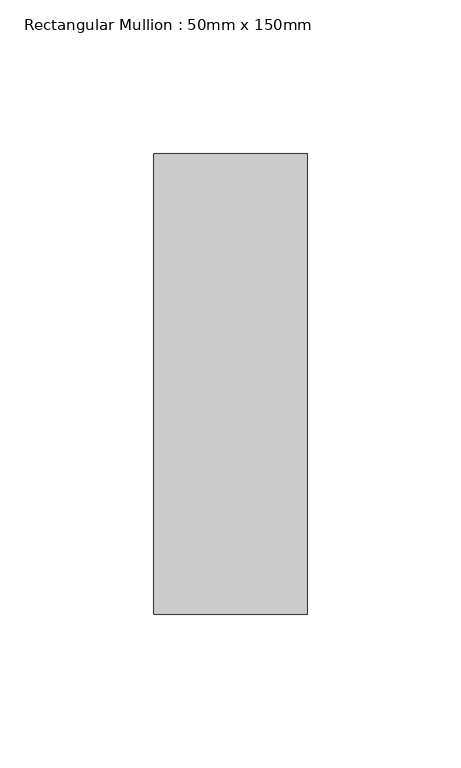
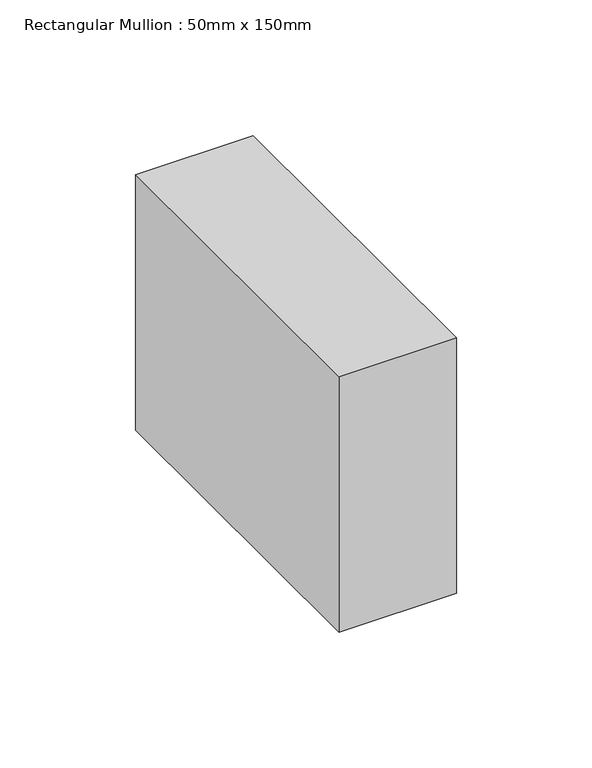
"""IFC4 building model written with IfcOpenShell, lengths in millimetres: member geometry, Rectangular Mullion : 50mm x 150mm."""

from ifc_helpers import new_model, si_unit, frame, origin, place, context, project, spatial, polyline, outline, extrude, source, transform, mapped, element, save


def rectangular_mullion_50mm_x_150mm_f4ca3eee(model_context):
    return source(origin(), model_context, "Body", "SweptSolid", [
        extrude(outline(polyline([(0.0, 75.0), (0.0, -75.0), (-50.0, -75.0), (-50.0, 75.0), (0.0, 75.0)])), frame((0.0, 0.0, -115.0), z_axis=(0.0, 0.0, 1.0), x_axis=(1.0, 0.0, 0.0)), (0.0, 0.0, 1.0), 115.0),
    ])


if __name__ == "__main__":
    model = new_model("IFC4")
    model_context = context("Model", 3, world=origin())
    ifc_project = project(units=[si_unit("LENGTHUNIT", "METRE", prefix="MILLI")], contexts=[model_context])
    site = spatial("IfcSite", under=ifc_project)
    building = spatial("IfcBuilding", under=site)
    placement = place(None, origin())
    rectangular_mullion_50mm_x_150mm_shape = rectangular_mullion_50mm_x_150mm_f4ca3eee(model_context)
    element("IfcMember", 1, ObjectType="Rectangular Mullion : 50mm x 150mm", at=placement, inside=building, context=model_context, shape_type="MappedRepresentation", body=[
        mapped(rectangular_mullion_50mm_x_150mm_shape, transform((0.0, 0.0, 0.0), x_axis=(1.0, 0.0, 0.0), y_axis=(0.0, 1.0, 0.0), z_axis=(0.0, 0.0, 1.0))),
    ])
    save(model, "model.ifc")
